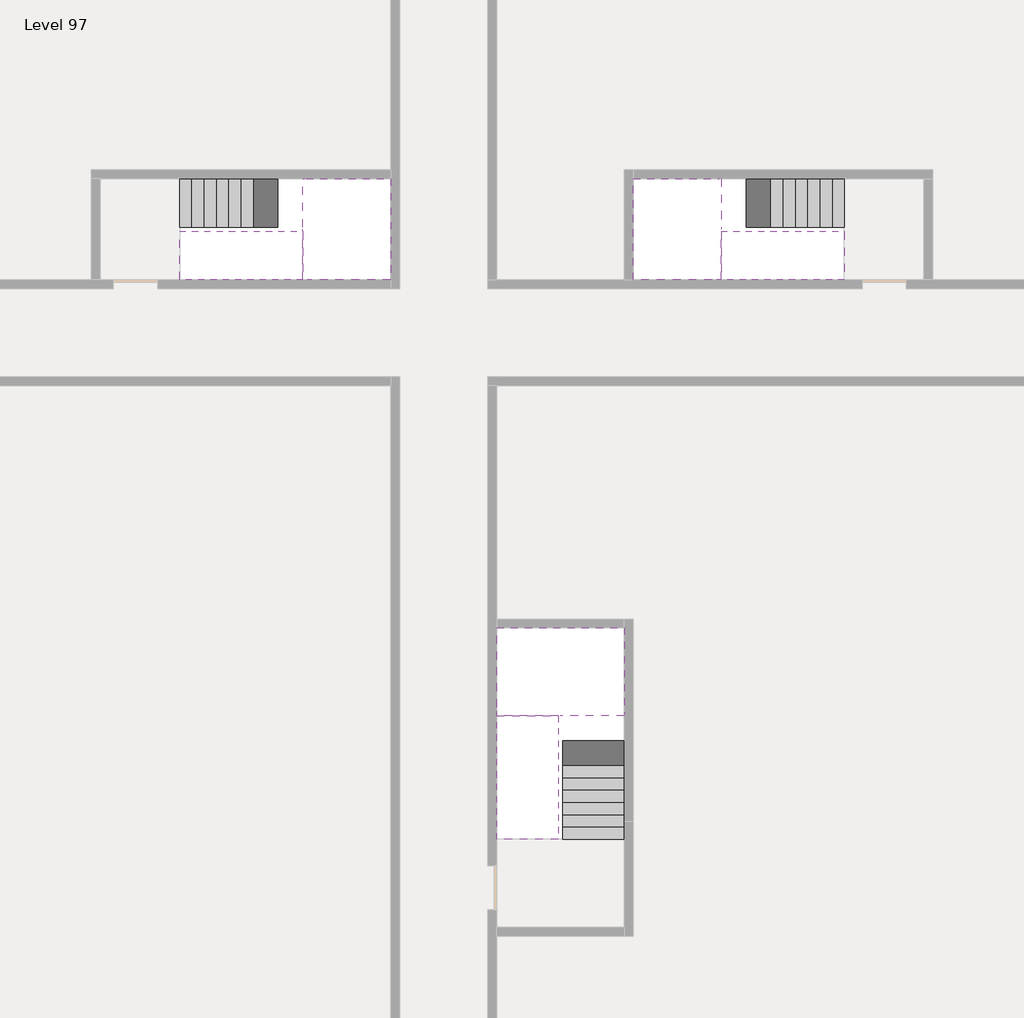
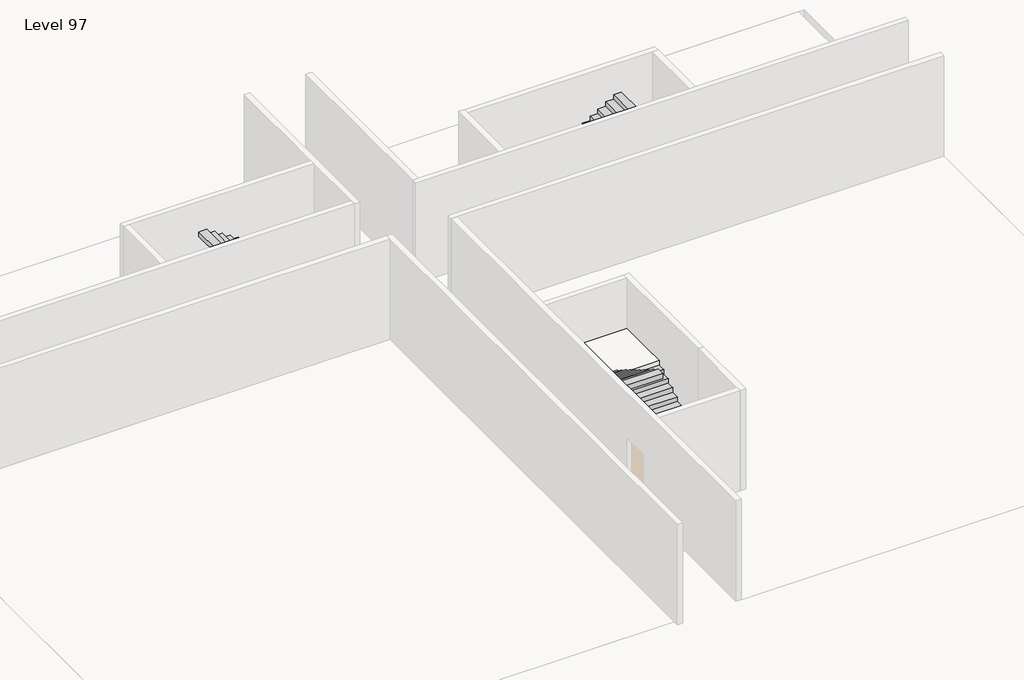
# One storey, part 2 of 2: 6 stair flights, 3 slabs.
"""IFC4 building model written with IfcOpenShell, lengths in millimetres."""

from ifc_helpers import new_model, si_unit, origin, place, context, project, spatial, faceted_brep, element, save

model = new_model("IFC4")

# Units and contexts
model_context = context("Model", 3, world=origin())
ifc_project = project(units=[si_unit("LENGTHUNIT", "METRE", prefix="MILLI")], contexts=[model_context])

# Site, building, storey
site = spatial("IfcSite", under=ifc_project)
building = spatial("IfcBuilding", under=site)
storey = spatial("IfcBuildingStorey", under=building, Name="Level 97", Elevation=364800.0)

# Slabs
placement = place(None, origin())
element("IfcSlab", 1, at=placement, inside=storey, context=model_context, shape_type="Brep", body=[
    faceted_brep([(26890.1058784, -40418.09644, 366700.0), (28290.1058784, -40418.09644, 366700.0), (28290.1058784, -40338.7100038, 366700.0), (28290.1058784, -38418.09644, 366700.0), (25390.1058784, -38418.09644, 366700.0), (25390.1058784, -40217.4828763, 366700.0), (25390.1058784, -40418.09644, 366700.0), (26790.1058784, -40418.09644, 366700.0), (26890.1058784, -40418.09644, 366400.0), (26890.1058784, -40418.09644, 366351.0278478), (28290.1058784, -40418.09644, 366351.0278478), (28290.1058784, -40418.09644, 366527.2727273), (28290.1058784, -40338.7100038, 366400.0), (28290.1058784, -38418.09644, 366400.0), (25390.1058784, -38418.09644, 366400.0), (25390.1058784, -40217.4828763, 366400.0), (25390.1058784, -40418.09644, 366523.7551205), (26790.1058784, -40418.09644, 366523.7551205), (26790.1058784, -40418.09644, 366400.0), (26790.1058784, -40217.4828763, 366400.0), (26890.1058784, -40338.7100038, 366400.0)], [[[0, 1, 2, 3, 4, 5, 6, 7]], [[1, 0, 8, 9, 10, 11]], [[1, 11, 10, 12, 13, 3, 2]], [[4, 3, 13, 14]], [[4, 14, 15, 16, 6, 5]], [[7, 6, 16, 17]], [[0, 7, 17, 18, 8]], [[18, 19, 15, 14, 13, 12, 20, 8]], [[19, 18, 17]], [[20, 12, 10, 9]], [[8, 20, 9]], [[15, 19, 17, 16]]]),
])
element("IfcSlab", 2, at=placement, inside=storey, context=model_context, shape_type="Brep", body=[
    faceted_brep([(20990.1058784, -28218.09644, 366700.0), (20990.1058784, -29318.09644, 366700.0), (20990.1058784, -29418.09644, 366700.0), (20990.1058784, -30518.09644, 366700.0), (21190.7194421, -30518.09644, 366700.0), (22990.1058784, -30518.09644, 366700.0), (22990.1058784, -28218.09644, 366700.0), (21069.4923146, -28218.09644, 366700.0), (20990.1058784, -28218.09644, 366527.2727273), (20990.1058784, -28218.09644, 366351.0278478), (20990.1058784, -29318.09644, 366351.0278478), (20990.1058784, -29318.09644, 366400.0), (20990.1058784, -29418.09644, 366400.0), (20990.1058784, -29418.09644, 366523.7551205), (20990.1058784, -30518.09644, 366523.7551205), (21190.7194421, -30518.09644, 366400.0), (22990.1058784, -30518.09644, 366400.0), (22990.1058784, -28218.09644, 366400.0), (21069.4923146, -28218.09644, 366400.0), (21190.7194421, -29418.09644, 366400.0), (21069.4923146, -29318.09644, 366400.0)], [[[0, 1, 2, 3, 4, 5, 6, 7]], [[1, 0, 8, 9, 10, 11]], [[2, 1, 11, 12, 13]], [[3, 2, 13, 14]], [[3, 14, 15, 16, 5, 4]], [[6, 5, 16, 17]], [[9, 8, 0, 7, 6, 17, 18]], [[19, 12, 11, 20, 18, 17, 16, 15]], [[12, 19, 13]], [[18, 20, 10, 9]], [[20, 11, 10]], [[19, 15, 14, 13]]]),
])
element("IfcSlab", 3, at=placement, inside=storey, context=model_context, shape_type="Brep", body=[
    faceted_brep([(30490.1058784, -29318.09644, 366700.0), (30490.1058784, -28218.09644, 366700.0), (30410.7194421, -28218.09644, 366700.0), (28490.1058784, -28218.09644, 366700.0), (28490.1058784, -30518.09644, 366700.0), (30289.4923146, -30518.09644, 366700.0), (30490.1058784, -30518.09644, 366700.0), (30490.1058784, -29418.09644, 366700.0), (30490.1058784, -29318.09644, 366400.0), (30490.1058784, -29318.09644, 366351.0278478), (30490.1058784, -28218.09644, 366351.0278478), (30490.1058784, -28218.09644, 366527.2727273), (30490.1058784, -29418.09644, 366523.7551205), (30490.1058784, -29418.09644, 366400.0), (30490.1058784, -30518.09644, 366523.7551205), (28490.1058784, -30518.09644, 366400.0), (30289.4923146, -30518.09644, 366400.0), (28490.1058784, -28218.09644, 366400.0), (30410.7194421, -28218.09644, 366400.0), (30289.4923146, -29418.09644, 366400.0), (30410.7194421, -29318.09644, 366400.0)], [[[0, 1, 2, 3, 4, 5, 6, 7]], [[1, 0, 8, 9, 10, 11]], [[0, 7, 12, 13, 8]], [[7, 6, 14, 12]], [[4, 15, 16, 14, 6, 5]], [[4, 3, 17, 15]], [[1, 11, 10, 18, 17, 3, 2]], [[13, 19, 16, 15, 17, 18, 20, 8]], [[20, 18, 10, 9]], [[8, 20, 9]], [[16, 19, 12, 14]], [[19, 13, 12]]]),
])

# Stair flights
element("IfcStairFlight", 4, at=placement, inside=storey, context=model_context, shape_type="Brep", body=[
    faceted_brep([(26890.1058784, -42938.09644, 364972.7272727), (26890.1058784, -43218.09644, 364972.7272727), (28290.1058784, -43218.09644, 364972.7272727), (28290.1058784, -42938.09644, 364972.7272727), (26890.1058784, -42938.09644, 364800.0), (26890.1058784, -43218.09644, 364800.0), (28290.1058784, -43218.09644, 364800.0), (28290.1058784, -42938.09644, 364800.0), (26890.1058784, -42658.09644, 365145.4545455), (26890.1058784, -42938.09644, 365145.4545455), (28290.1058784, -42938.09644, 365145.4545455), (28290.1058784, -42658.09644, 365145.4545455), (26890.1058784, -42658.09644, 364969.209666), (26890.1058784, -42932.3942143, 364800.0), (28290.1058784, -42932.3942143, 364800.0), (28290.1058784, -42658.09644, 364969.209666), (26890.1058784, -42378.09644, 365318.1818182), (26890.1058784, -42658.09644, 365318.1818182), (28290.1058784, -42658.09644, 365318.1818182), (28290.1058784, -42378.09644, 365318.1818182), (26890.1058784, -42378.09644, 365141.9369387), (28290.1058784, -42378.09644, 365141.9369387), (26890.1058784, -42098.09644, 365490.9090909), (26890.1058784, -42378.09644, 365490.9090909), (28290.1058784, -42378.09644, 365490.9090909), (28290.1058784, -42098.09644, 365490.9090909), (26890.1058784, -42098.09644, 365314.6642114), (28290.1058784, -42098.09644, 365314.6642114), (26890.1058784, -41818.09644, 365663.6363636), (26890.1058784, -42098.09644, 365663.6363636), (28290.1058784, -42098.09644, 365663.6363636), (28290.1058784, -41818.09644, 365663.6363636), (26890.1058784, -41818.09644, 365487.3914841), (28290.1058784, -41818.09644, 365487.3914841), (26890.1058784, -41538.09644, 365836.3636364), (26890.1058784, -41818.09644, 365836.3636364), (28290.1058784, -41818.09644, 365836.3636364), (28290.1058784, -41538.09644, 365836.3636364), (26890.1058784, -41538.09644, 365660.1187569), (28290.1058784, -41538.09644, 365660.1187569), (26890.1058784, -41258.09644, 366009.0909091), (26890.1058784, -41538.09644, 366009.0909091), (28290.1058784, -41538.09644, 366009.0909091), (28290.1058784, -41258.09644, 366009.0909091), (26890.1058784, -41258.09644, 365832.8460296), (28290.1058784, -41258.09644, 365832.8460296), (26890.1058784, -40978.09644, 366181.8181818), (26890.1058784, -41258.09644, 366181.8181818), (28290.1058784, -41258.09644, 366181.8181818), (28290.1058784, -40978.09644, 366181.8181818), (26890.1058784, -40978.09644, 366005.5733023), (28290.1058784, -40978.09644, 366005.5733023), (26890.1058784, -40698.09644, 366354.5454545), (26890.1058784, -40978.09644, 366354.5454545), (28290.1058784, -40978.09644, 366354.5454545), (28290.1058784, -40698.09644, 366354.5454545), (26890.1058784, -40698.09644, 366178.3005751), (28290.1058784, -40698.09644, 366178.3005751), (26890.1058784, -40418.09644, 366527.2727273), (26890.1058784, -40698.09644, 366527.2727273), (28290.1058784, -40698.09644, 366527.2727273), (28290.1058784, -40418.09644, 366527.2727273), (26890.1058784, -40418.09644, 366400.0), (26890.1058784, -40418.09644, 366351.0278478), (28290.1058784, -40418.09644, 366351.0278478)], [[[0, 1, 2, 3]], [[1, 0, 4, 5]], [[2, 1, 5, 6]], [[3, 2, 6, 7]], [[8, 9, 10, 11]], [[4, 0, 9, 8, 12, 13]], [[0, 3, 10, 9]], [[3, 7, 14, 15, 11, 10]], [[16, 17, 18, 19]], [[17, 16, 20, 12, 8]], [[8, 11, 18, 17]], [[19, 18, 11, 15, 21]], [[22, 23, 24, 25]], [[23, 22, 26, 20, 16]], [[16, 19, 24, 23]], [[25, 24, 19, 21, 27]], [[28, 29, 30, 31]], [[29, 28, 32, 26, 22]], [[22, 25, 30, 29]], [[31, 30, 25, 27, 33]], [[34, 35, 36, 37]], [[35, 34, 38, 32, 28]], [[28, 31, 36, 35]], [[37, 36, 31, 33, 39]], [[40, 41, 42, 43]], [[41, 40, 44, 38, 34]], [[34, 37, 42, 41]], [[43, 42, 37, 39, 45]], [[46, 47, 48, 49]], [[47, 46, 50, 44, 40]], [[40, 43, 48, 47]], [[49, 48, 43, 45, 51]], [[52, 53, 54, 55]], [[53, 52, 56, 50, 46]], [[46, 49, 54, 53]], [[55, 54, 49, 51, 57]], [[58, 59, 60, 61]], [[59, 58, 62, 63, 56, 52]], [[52, 55, 60, 59]], [[61, 60, 55, 57, 64]], [[58, 61, 64, 63, 62]], [[5, 4, 13, 14, 7, 6]], [[14, 13, 12, 20, 26, 32, 38, 44, 50, 56, 63, 64, 57, 51, 45, 39, 33, 27, 21, 15]]]),
])
element("IfcStairFlight", 5, at=placement, inside=storey, context=model_context, shape_type="Brep", body=[
    faceted_brep([(26790.1058784, -40698.09644, 366872.7272727), (26790.1058784, -40418.09644, 366872.7272727), (25390.1058784, -40418.09644, 366872.7272727), (25390.1058784, -40698.09644, 366872.7272727), (26790.1058784, -40698.09644, 366696.4823932), (26790.1058784, -40418.09644, 366523.7551205), (25390.1058784, -40418.09644, 366523.7551205), (25390.1058784, -40418.09644, 366700.0), (25390.1058784, -40698.09644, 366696.4823932), (26790.1058784, -40978.09644, 367045.4545455), (26790.1058784, -40698.09644, 367045.4545455), (25390.1058784, -40698.09644, 367045.4545455), (25390.1058784, -40978.09644, 367045.4545455), (26790.1058784, -40978.09644, 366869.209666), (25390.1058784, -40978.09644, 366869.209666), (26790.1058784, -41258.09644, 367218.1818182), (26790.1058784, -40978.09644, 367218.1818182), (25390.1058784, -40978.09644, 367218.1818182), (25390.1058784, -41258.09644, 367218.1818182), (26790.1058784, -41258.09644, 367041.9369387), (25390.1058784, -41258.09644, 367041.9369387), (26790.1058784, -41538.09644, 367390.9090909), (26790.1058784, -41258.09644, 367390.9090909), (25390.1058784, -41258.09644, 367390.9090909), (25390.1058784, -41538.09644, 367390.9090909), (26790.1058784, -41538.09644, 367214.6642114), (25390.1058784, -41538.09644, 367214.6642114), (26790.1058784, -41818.09644, 367563.6363636), (26790.1058784, -41538.09644, 367563.6363636), (25390.1058784, -41538.09644, 367563.6363636), (25390.1058784, -41818.09644, 367563.6363636), (26790.1058784, -41818.09644, 367387.3914841), (25390.1058784, -41818.09644, 367387.3914841), (26790.1058784, -42098.09644, 367736.3636364), (26790.1058784, -41818.09644, 367736.3636364), (25390.1058784, -41818.09644, 367736.3636364), (25390.1058784, -42098.09644, 367736.3636364), (26790.1058784, -42098.09644, 367560.1187569), (25390.1058784, -42098.09644, 367560.1187569), (26790.1058784, -42378.09644, 367909.0909091), (26790.1058784, -42098.09644, 367909.0909091), (25390.1058784, -42098.09644, 367909.0909091), (25390.1058784, -42378.09644, 367909.0909091), (26790.1058784, -42378.09644, 367732.8460296), (25390.1058784, -42378.09644, 367732.8460296), (26790.1058784, -42658.09644, 368081.8181818), (26790.1058784, -42378.09644, 368081.8181818), (25390.1058784, -42378.09644, 368081.8181818), (25390.1058784, -42658.09644, 368081.8181818), (26790.1058784, -42658.09644, 367905.5733023), (25390.1058784, -42658.09644, 367905.5733023), (26790.1058784, -42938.09644, 368254.5454545), (26790.1058784, -42658.09644, 368254.5454545), (25390.1058784, -42658.09644, 368254.5454545), (25390.1058784, -42938.09644, 368254.5454545), (26790.1058784, -42938.09644, 368078.3005751), (25390.1058784, -42938.09644, 368078.3005751), (26790.1058784, -43218.09644, 368427.2727273), (26790.1058784, -42938.09644, 368427.2727273), (25390.1058784, -42938.09644, 368427.2727273), (25390.1058784, -43218.09644, 368427.2727273), (26790.1058784, -43218.09644, 368251.0278478), (25390.1058784, -43218.09644, 368251.0278478)], [[[0, 1, 2, 3]], [[1, 0, 4, 5]], [[2, 1, 5, 6, 7]], [[3, 2, 7, 6, 8]], [[9, 10, 11, 12]], [[10, 9, 13, 4, 0]], [[11, 10, 0, 3]], [[12, 11, 3, 8, 14]], [[15, 16, 17, 18]], [[16, 15, 19, 13, 9]], [[17, 16, 9, 12]], [[18, 17, 12, 14, 20]], [[21, 22, 23, 24]], [[22, 21, 25, 19, 15]], [[23, 22, 15, 18]], [[24, 23, 18, 20, 26]], [[27, 28, 29, 30]], [[28, 27, 31, 25, 21]], [[29, 28, 21, 24]], [[30, 29, 24, 26, 32]], [[33, 34, 35, 36]], [[34, 33, 37, 31, 27]], [[35, 34, 27, 30]], [[36, 35, 30, 32, 38]], [[39, 40, 41, 42]], [[40, 39, 43, 37, 33]], [[41, 40, 33, 36]], [[42, 41, 36, 38, 44]], [[45, 46, 47, 48]], [[46, 45, 49, 43, 39]], [[47, 46, 39, 42]], [[48, 47, 42, 44, 50]], [[51, 52, 53, 54]], [[52, 51, 55, 49, 45]], [[53, 52, 45, 48]], [[54, 53, 48, 50, 56]], [[57, 58, 59, 60]], [[58, 57, 61, 55, 51]], [[59, 58, 51, 54]], [[60, 59, 54, 56, 62]], [[57, 60, 62, 61]], [[5, 4, 13, 19, 25, 31, 37, 43, 49, 55, 61, 62, 56, 50, 44, 38, 32, 26, 20, 14, 8, 6]]]),
])
element("IfcStairFlight", 6, at=placement, inside=storey, context=model_context, shape_type="Brep", body=[
    faceted_brep([(18470.1058784, -28218.09644, 364972.7272727), (18190.1058784, -28218.09644, 364972.7272727), (18190.1058784, -29318.09644, 364972.7272727), (18470.1058784, -29318.09644, 364972.7272727), (18470.1058784, -28218.09644, 364800.0), (18190.1058784, -28218.09644, 364800.0), (18190.1058784, -29318.09644, 364800.0), (18470.1058784, -29318.09644, 364800.0), (18750.1058784, -28218.09644, 365145.4545455), (18470.1058784, -28218.09644, 365145.4545455), (18470.1058784, -29318.09644, 365145.4545455), (18750.1058784, -29318.09644, 365145.4545455), (18750.1058784, -28218.09644, 364969.209666), (18475.8081041, -28218.09644, 364800.0), (18475.8081041, -29318.09644, 364800.0), (18750.1058784, -29318.09644, 364969.209666), (19030.1058784, -28218.09644, 365318.1818182), (18750.1058784, -28218.09644, 365318.1818182), (18750.1058784, -29318.09644, 365318.1818182), (19030.1058784, -29318.09644, 365318.1818182), (19030.1058784, -28218.09644, 365141.9369387), (19030.1058784, -29318.09644, 365141.9369387), (19310.1058784, -28218.09644, 365490.9090909), (19030.1058784, -28218.09644, 365490.9090909), (19030.1058784, -29318.09644, 365490.9090909), (19310.1058784, -29318.09644, 365490.9090909), (19310.1058784, -28218.09644, 365314.6642114), (19310.1058784, -29318.09644, 365314.6642114), (19590.1058784, -28218.09644, 365663.6363636), (19310.1058784, -28218.09644, 365663.6363636), (19310.1058784, -29318.09644, 365663.6363636), (19590.1058784, -29318.09644, 365663.6363636), (19590.1058784, -28218.09644, 365487.3914841), (19590.1058784, -29318.09644, 365487.3914841), (19870.1058784, -28218.09644, 365836.3636364), (19590.1058784, -28218.09644, 365836.3636364), (19590.1058784, -29318.09644, 365836.3636364), (19870.1058784, -29318.09644, 365836.3636364), (19870.1058784, -28218.09644, 365660.1187569), (19870.1058784, -29318.09644, 365660.1187569), (20150.1058784, -28218.09644, 366009.0909091), (19870.1058784, -28218.09644, 366009.0909091), (19870.1058784, -29318.09644, 366009.0909091), (20150.1058784, -29318.09644, 366009.0909091), (20150.1058784, -28218.09644, 365832.8460296), (20150.1058784, -29318.09644, 365832.8460296), (20430.1058784, -28218.09644, 366181.8181818), (20150.1058784, -28218.09644, 366181.8181818), (20150.1058784, -29318.09644, 366181.8181818), (20430.1058784, -29318.09644, 366181.8181818), (20430.1058784, -28218.09644, 366005.5733023), (20430.1058784, -29318.09644, 366005.5733023), (20710.1058784, -28218.09644, 366354.5454545), (20430.1058784, -28218.09644, 366354.5454545), (20430.1058784, -29318.09644, 366354.5454545), (20710.1058784, -29318.09644, 366354.5454545), (20710.1058784, -28218.09644, 366178.3005751), (20710.1058784, -29318.09644, 366178.3005751), (20990.1058784, -28218.09644, 366527.2727273), (20710.1058784, -28218.09644, 366527.2727273), (20710.1058784, -29318.09644, 366527.2727273), (20990.1058784, -29318.09644, 366527.2727273), (20990.1058784, -28218.09644, 366351.0278478), (20990.1058784, -29318.09644, 366351.0278478), (20990.1058784, -29318.09644, 366400.0)], [[[0, 1, 2, 3]], [[1, 0, 4, 5]], [[2, 1, 5, 6]], [[3, 2, 6, 7]], [[8, 9, 10, 11]], [[4, 0, 9, 8, 12, 13]], [[0, 3, 10, 9]], [[3, 7, 14, 15, 11, 10]], [[16, 17, 18, 19]], [[17, 16, 20, 12, 8]], [[8, 11, 18, 17]], [[19, 18, 11, 15, 21]], [[22, 23, 24, 25]], [[23, 22, 26, 20, 16]], [[16, 19, 24, 23]], [[25, 24, 19, 21, 27]], [[28, 29, 30, 31]], [[29, 28, 32, 26, 22]], [[22, 25, 30, 29]], [[31, 30, 25, 27, 33]], [[34, 35, 36, 37]], [[35, 34, 38, 32, 28]], [[28, 31, 36, 35]], [[37, 36, 31, 33, 39]], [[40, 41, 42, 43]], [[41, 40, 44, 38, 34]], [[34, 37, 42, 41]], [[43, 42, 37, 39, 45]], [[46, 47, 48, 49]], [[47, 46, 50, 44, 40]], [[40, 43, 48, 47]], [[49, 48, 43, 45, 51]], [[52, 53, 54, 55]], [[53, 52, 56, 50, 46]], [[46, 49, 54, 53]], [[55, 54, 49, 51, 57]], [[58, 59, 60, 61]], [[59, 58, 62, 56, 52]], [[52, 55, 60, 59]], [[61, 60, 55, 57, 63, 64]], [[58, 61, 64, 63, 62]], [[5, 4, 13, 14, 7, 6]], [[14, 13, 12, 20, 26, 32, 38, 44, 50, 56, 62, 63, 57, 51, 45, 39, 33, 27, 21, 15]]]),
])
element("IfcStairFlight", 7, at=placement, inside=storey, context=model_context, shape_type="Brep", body=[
    faceted_brep([(20710.1058784, -30518.09644, 366872.7272727), (20990.1058784, -30518.09644, 366872.7272727), (20990.1058784, -29418.09644, 366872.7272727), (20710.1058784, -29418.09644, 366872.7272727), (20710.1058784, -30518.09644, 366696.4823932), (20990.1058784, -30518.09644, 366523.7551205), (20990.1058784, -30518.09644, 366700.0), (20990.1058784, -29418.09644, 366523.7551205), (20710.1058784, -29418.09644, 366696.4823932), (20430.1058784, -30518.09644, 367045.4545455), (20710.1058784, -30518.09644, 367045.4545455), (20710.1058784, -29418.09644, 367045.4545455), (20430.1058784, -29418.09644, 367045.4545455), (20430.1058784, -30518.09644, 366869.209666), (20430.1058784, -29418.09644, 366869.209666), (20150.1058784, -30518.09644, 367218.1818182), (20430.1058784, -30518.09644, 367218.1818182), (20430.1058784, -29418.09644, 367218.1818182), (20150.1058784, -29418.09644, 367218.1818182), (20150.1058784, -30518.09644, 367041.9369387), (20150.1058784, -29418.09644, 367041.9369387), (19870.1058784, -30518.09644, 367390.9090909), (20150.1058784, -30518.09644, 367390.9090909), (20150.1058784, -29418.09644, 367390.9090909), (19870.1058784, -29418.09644, 367390.9090909), (19870.1058784, -30518.09644, 367214.6642114), (19870.1058784, -29418.09644, 367214.6642114), (19590.1058784, -30518.09644, 367563.6363636), (19870.1058784, -30518.09644, 367563.6363636), (19870.1058784, -29418.09644, 367563.6363636), (19590.1058784, -29418.09644, 367563.6363636), (19590.1058784, -30518.09644, 367387.3914841), (19590.1058784, -29418.09644, 367387.3914841), (19310.1058784, -30518.09644, 367736.3636364), (19590.1058784, -30518.09644, 367736.3636364), (19590.1058784, -29418.09644, 367736.3636364), (19310.1058784, -29418.09644, 367736.3636364), (19310.1058784, -30518.09644, 367560.1187569), (19310.1058784, -29418.09644, 367560.1187569), (19030.1058784, -30518.09644, 367909.0909091), (19310.1058784, -30518.09644, 367909.0909091), (19310.1058784, -29418.09644, 367909.0909091), (19030.1058784, -29418.09644, 367909.0909091), (19030.1058784, -30518.09644, 367732.8460296), (19030.1058784, -29418.09644, 367732.8460296), (18750.1058784, -30518.09644, 368081.8181818), (19030.1058784, -30518.09644, 368081.8181818), (19030.1058784, -29418.09644, 368081.8181818), (18750.1058784, -29418.09644, 368081.8181818), (18750.1058784, -30518.09644, 367905.5733023), (18750.1058784, -29418.09644, 367905.5733023), (18470.1058784, -30518.09644, 368254.5454545), (18750.1058784, -30518.09644, 368254.5454545), (18750.1058784, -29418.09644, 368254.5454545), (18470.1058784, -29418.09644, 368254.5454545), (18470.1058784, -30518.09644, 368078.3005751), (18470.1058784, -29418.09644, 368078.3005751), (18190.1058784, -30518.09644, 368427.2727273), (18470.1058784, -30518.09644, 368427.2727273), (18470.1058784, -29418.09644, 368427.2727273), (18190.1058784, -29418.09644, 368427.2727273), (18190.1058784, -30518.09644, 368251.0278478), (18190.1058784, -29418.09644, 368251.0278478)], [[[0, 1, 2, 3]], [[1, 0, 4, 5, 6]], [[2, 1, 6, 5, 7]], [[3, 2, 7, 8]], [[9, 10, 11, 12]], [[10, 9, 13, 4, 0]], [[11, 10, 0, 3]], [[12, 11, 3, 8, 14]], [[15, 16, 17, 18]], [[16, 15, 19, 13, 9]], [[17, 16, 9, 12]], [[18, 17, 12, 14, 20]], [[21, 22, 23, 24]], [[22, 21, 25, 19, 15]], [[23, 22, 15, 18]], [[24, 23, 18, 20, 26]], [[27, 28, 29, 30]], [[28, 27, 31, 25, 21]], [[29, 28, 21, 24]], [[30, 29, 24, 26, 32]], [[33, 34, 35, 36]], [[34, 33, 37, 31, 27]], [[35, 34, 27, 30]], [[36, 35, 30, 32, 38]], [[39, 40, 41, 42]], [[40, 39, 43, 37, 33]], [[41, 40, 33, 36]], [[42, 41, 36, 38, 44]], [[45, 46, 47, 48]], [[46, 45, 49, 43, 39]], [[47, 46, 39, 42]], [[48, 47, 42, 44, 50]], [[51, 52, 53, 54]], [[52, 51, 55, 49, 45]], [[53, 52, 45, 48]], [[54, 53, 48, 50, 56]], [[57, 58, 59, 60]], [[58, 57, 61, 55, 51]], [[59, 58, 51, 54]], [[60, 59, 54, 56, 62]], [[57, 60, 62, 61]], [[5, 4, 13, 19, 25, 31, 37, 43, 49, 55, 61, 62, 56, 50, 44, 38, 32, 26, 20, 14, 8, 7]]]),
])
element("IfcStairFlight", 8, at=placement, inside=storey, context=model_context, shape_type="Brep", body=[
    faceted_brep([(33010.1058784, -29318.09644, 364972.7272727), (33290.1058784, -29318.09644, 364972.7272727), (33290.1058784, -28218.09644, 364972.7272727), (33010.1058784, -28218.09644, 364972.7272727), (33290.1058784, -28218.09644, 364800.0), (33010.1058784, -28218.09644, 364800.0), (33290.1058784, -29318.09644, 364800.0), (33010.1058784, -29318.09644, 364800.0), (32730.1058784, -29318.09644, 365145.4545455), (33010.1058784, -29318.09644, 365145.4545455), (33010.1058784, -28218.09644, 365145.4545455), (32730.1058784, -28218.09644, 365145.4545455), (33004.4036527, -28218.09644, 364800.0), (32730.1058784, -28218.09644, 364969.209666), (32730.1058784, -29318.09644, 364969.209666), (33004.4036527, -29318.09644, 364800.0), (32450.1058784, -29318.09644, 365318.1818182), (32730.1058784, -29318.09644, 365318.1818182), (32730.1058784, -28218.09644, 365318.1818182), (32450.1058784, -28218.09644, 365318.1818182), (32450.1058784, -28218.09644, 365141.9369387), (32450.1058784, -29318.09644, 365141.9369387), (32170.1058784, -29318.09644, 365490.9090909), (32450.1058784, -29318.09644, 365490.9090909), (32450.1058784, -28218.09644, 365490.9090909), (32170.1058784, -28218.09644, 365490.9090909), (32170.1058784, -28218.09644, 365314.6642114), (32170.1058784, -29318.09644, 365314.6642114), (31890.1058784, -29318.09644, 365663.6363636), (32170.1058784, -29318.09644, 365663.6363636), (32170.1058784, -28218.09644, 365663.6363636), (31890.1058784, -28218.09644, 365663.6363636), (31890.1058784, -28218.09644, 365487.3914841), (31890.1058784, -29318.09644, 365487.3914841), (31610.1058784, -29318.09644, 365836.3636364), (31890.1058784, -29318.09644, 365836.3636364), (31890.1058784, -28218.09644, 365836.3636364), (31610.1058784, -28218.09644, 365836.3636364), (31610.1058784, -28218.09644, 365660.1187569), (31610.1058784, -29318.09644, 365660.1187569), (31330.1058784, -29318.09644, 366009.0909091), (31610.1058784, -29318.09644, 366009.0909091), (31610.1058784, -28218.09644, 366009.0909091), (31330.1058784, -28218.09644, 366009.0909091), (31330.1058784, -28218.09644, 365832.8460296), (31330.1058784, -29318.09644, 365832.8460296), (31050.1058784, -29318.09644, 366181.8181818), (31330.1058784, -29318.09644, 366181.8181818), (31330.1058784, -28218.09644, 366181.8181818), (31050.1058784, -28218.09644, 366181.8181818), (31050.1058784, -28218.09644, 366005.5733023), (31050.1058784, -29318.09644, 366005.5733023), (30770.1058784, -29318.09644, 366354.5454545), (31050.1058784, -29318.09644, 366354.5454545), (31050.1058784, -28218.09644, 366354.5454545), (30770.1058784, -28218.09644, 366354.5454545), (30770.1058784, -28218.09644, 366178.3005751), (30770.1058784, -29318.09644, 366178.3005751), (30490.1058784, -29318.09644, 366527.2727273), (30770.1058784, -29318.09644, 366527.2727273), (30770.1058784, -28218.09644, 366527.2727273), (30490.1058784, -28218.09644, 366527.2727273), (30490.1058784, -28218.09644, 366351.0278478), (30490.1058784, -29318.09644, 366400.0), (30490.1058784, -29318.09644, 366351.0278478)], [[[0, 1, 2, 3]], [[3, 2, 4, 5]], [[2, 1, 6, 4]], [[1, 0, 7, 6]], [[8, 9, 10, 11]], [[3, 5, 12, 13, 11, 10]], [[0, 3, 10, 9]], [[7, 0, 9, 8, 14, 15]], [[16, 17, 18, 19]], [[19, 18, 11, 13, 20]], [[8, 11, 18, 17]], [[17, 16, 21, 14, 8]], [[22, 23, 24, 25]], [[25, 24, 19, 20, 26]], [[16, 19, 24, 23]], [[23, 22, 27, 21, 16]], [[28, 29, 30, 31]], [[31, 30, 25, 26, 32]], [[22, 25, 30, 29]], [[29, 28, 33, 27, 22]], [[34, 35, 36, 37]], [[37, 36, 31, 32, 38]], [[28, 31, 36, 35]], [[35, 34, 39, 33, 28]], [[40, 41, 42, 43]], [[43, 42, 37, 38, 44]], [[34, 37, 42, 41]], [[41, 40, 45, 39, 34]], [[46, 47, 48, 49]], [[49, 48, 43, 44, 50]], [[40, 43, 48, 47]], [[47, 46, 51, 45, 40]], [[52, 53, 54, 55]], [[55, 54, 49, 50, 56]], [[46, 49, 54, 53]], [[53, 52, 57, 51, 46]], [[58, 59, 60, 61]], [[61, 60, 55, 56, 62]], [[52, 55, 60, 59]], [[59, 58, 63, 64, 57, 52]], [[58, 61, 62, 64, 63]], [[6, 7, 15, 12, 5, 4]], [[12, 15, 14, 21, 27, 33, 39, 45, 51, 57, 64, 62, 56, 50, 44, 38, 32, 26, 20, 13]]]),
])
element("IfcStairFlight", 9, at=placement, inside=storey, context=model_context, shape_type="Brep", body=[
    faceted_brep([(30770.1058784, -29418.09644, 366872.7272727), (30490.1058784, -29418.09644, 366872.7272727), (30490.1058784, -30518.09644, 366872.7272727), (30770.1058784, -30518.09644, 366872.7272727), (30490.1058784, -30518.09644, 366700.0), (30490.1058784, -30518.09644, 366523.7551205), (30770.1058784, -30518.09644, 366696.4823932), (30490.1058784, -29418.09644, 366523.7551205), (30770.1058784, -29418.09644, 366696.4823932), (31050.1058784, -29418.09644, 367045.4545455), (30770.1058784, -29418.09644, 367045.4545455), (30770.1058784, -30518.09644, 367045.4545455), (31050.1058784, -30518.09644, 367045.4545455), (31050.1058784, -30518.09644, 366869.209666), (31050.1058784, -29418.09644, 366869.209666), (31330.1058784, -29418.09644, 367218.1818182), (31050.1058784, -29418.09644, 367218.1818182), (31050.1058784, -30518.09644, 367218.1818182), (31330.1058784, -30518.09644, 367218.1818182), (31330.1058784, -30518.09644, 367041.9369387), (31330.1058784, -29418.09644, 367041.9369387), (31610.1058784, -29418.09644, 367390.9090909), (31330.1058784, -29418.09644, 367390.9090909), (31330.1058784, -30518.09644, 367390.9090909), (31610.1058784, -30518.09644, 367390.9090909), (31610.1058784, -30518.09644, 367214.6642114), (31610.1058784, -29418.09644, 367214.6642114), (31890.1058784, -29418.09644, 367563.6363636), (31610.1058784, -29418.09644, 367563.6363636), (31610.1058784, -30518.09644, 367563.6363636), (31890.1058784, -30518.09644, 367563.6363636), (31890.1058784, -30518.09644, 367387.3914841), (31890.1058784, -29418.09644, 367387.3914841), (32170.1058784, -29418.09644, 367736.3636364), (31890.1058784, -29418.09644, 367736.3636364), (31890.1058784, -30518.09644, 367736.3636364), (32170.1058784, -30518.09644, 367736.3636364), (32170.1058784, -30518.09644, 367560.1187569), (32170.1058784, -29418.09644, 367560.1187569), (32450.1058784, -29418.09644, 367909.0909091), (32170.1058784, -29418.09644, 367909.0909091), (32170.1058784, -30518.09644, 367909.0909091), (32450.1058784, -30518.09644, 367909.0909091), (32450.1058784, -30518.09644, 367732.8460296), (32450.1058784, -29418.09644, 367732.8460296), (32730.1058784, -29418.09644, 368081.8181818), (32450.1058784, -29418.09644, 368081.8181818), (32450.1058784, -30518.09644, 368081.8181818), (32730.1058784, -30518.09644, 368081.8181818), (32730.1058784, -30518.09644, 367905.5733023), (32730.1058784, -29418.09644, 367905.5733023), (33010.1058784, -29418.09644, 368254.5454545), (32730.1058784, -29418.09644, 368254.5454545), (32730.1058784, -30518.09644, 368254.5454545), (33010.1058784, -30518.09644, 368254.5454545), (33010.1058784, -30518.09644, 368078.3005751), (33010.1058784, -29418.09644, 368078.3005751), (33290.1058784, -29418.09644, 368427.2727273), (33010.1058784, -29418.09644, 368427.2727273), (33010.1058784, -30518.09644, 368427.2727273), (33290.1058784, -30518.09644, 368427.2727273), (33290.1058784, -30518.09644, 368251.0278478), (33290.1058784, -29418.09644, 368251.0278478)], [[[0, 1, 2, 3]], [[3, 2, 4, 5, 6]], [[2, 1, 7, 5, 4]], [[1, 0, 8, 7]], [[9, 10, 11, 12]], [[12, 11, 3, 6, 13]], [[11, 10, 0, 3]], [[10, 9, 14, 8, 0]], [[15, 16, 17, 18]], [[18, 17, 12, 13, 19]], [[17, 16, 9, 12]], [[16, 15, 20, 14, 9]], [[21, 22, 23, 24]], [[24, 23, 18, 19, 25]], [[23, 22, 15, 18]], [[22, 21, 26, 20, 15]], [[27, 28, 29, 30]], [[30, 29, 24, 25, 31]], [[29, 28, 21, 24]], [[28, 27, 32, 26, 21]], [[33, 34, 35, 36]], [[36, 35, 30, 31, 37]], [[35, 34, 27, 30]], [[34, 33, 38, 32, 27]], [[39, 40, 41, 42]], [[42, 41, 36, 37, 43]], [[41, 40, 33, 36]], [[40, 39, 44, 38, 33]], [[45, 46, 47, 48]], [[48, 47, 42, 43, 49]], [[47, 46, 39, 42]], [[46, 45, 50, 44, 39]], [[51, 52, 53, 54]], [[54, 53, 48, 49, 55]], [[53, 52, 45, 48]], [[52, 51, 56, 50, 45]], [[57, 58, 59, 60]], [[60, 59, 54, 55, 61]], [[59, 58, 51, 54]], [[58, 57, 62, 56, 51]], [[57, 60, 61, 62]], [[7, 8, 14, 20, 26, 32, 38, 44, 50, 56, 62, 61, 55, 49, 43, 37, 31, 25, 19, 13, 6, 5]]]),
])

save(model, "model.ifc")
